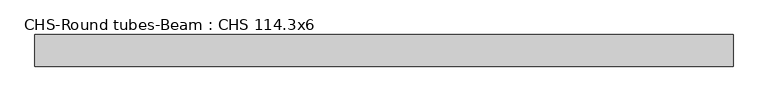
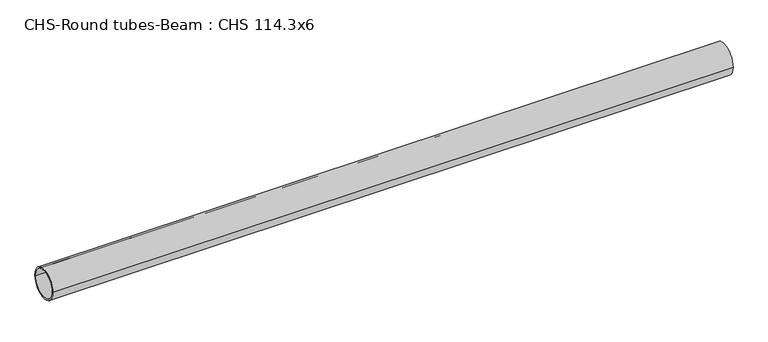
"""IFC4 building model written with IfcOpenShell, lengths in millimetres: beam geometry, CHS-Round tubes-Beam : CHS 114.3x6."""

from ifc_helpers import new_model, si_unit, point, frame, origin, origin_2d, place, context, project, spatial, circle_curve, trimmed, segment, composite_curve, outline, extrude, source, transform, mapped, element, save


def chs_round_tubes_beam_chs_114_3x6_28a2bd70(model_context):
    return source(origin(), model_context, "Body", "SweptSolid", [
        extrude(outline(composite_curve([segment(trimmed(circle_curve(origin_2d(), 57.15), [point((57.15, 0.0))], [point((-57.15, 0.0))], False, "CARTESIAN"), True, "CONTINUOUS"), segment(trimmed(circle_curve(origin_2d(), 57.15), [point((-57.15, 0.0))], [point((57.15, 0.0))], False, "CARTESIAN"), True, "CONTINUOUS")], self_intersect=False), holes=[composite_curve([segment(trimmed(circle_curve(origin_2d(), 51.15), [point((51.15, 0.0))], [point((-51.15, 0.0))], True, "CARTESIAN"), True, "CONTINUOUS"), segment(trimmed(circle_curve(origin_2d(), 51.15), [point((-51.15, 0.0))], [point((51.15, 0.0))], True, "CARTESIAN"), True, "CONTINUOUS")], self_intersect=False)]), frame((-1211.8883366, 0.0, 0.0), z_axis=(1.0, 0.0, 0.0), x_axis=(0.0, 1.0, 0.0)), (0.0, 0.0, 1.0), 2523.3236692),
    ])


if __name__ == "__main__":
    model = new_model("IFC4")
    model_context = context("Model", 3, world=origin())
    ifc_project = project(units=[si_unit("LENGTHUNIT", "METRE", prefix="MILLI")], contexts=[model_context])
    site = spatial("IfcSite", under=ifc_project)
    building = spatial("IfcBuilding", under=site)
    placement = place(None, origin())
    chs_round_tubes_beam_chs_114_3x6_shape = chs_round_tubes_beam_chs_114_3x6_28a2bd70(model_context)
    element("IfcBeam", 1, ObjectType="CHS-Round tubes-Beam : CHS 114.3x6", at=placement, inside=building, context=model_context, shape_type="MappedRepresentation", body=[
        mapped(chs_round_tubes_beam_chs_114_3x6_shape, transform((0.0, 0.0, 0.0), x_axis=(1.0, 0.0, 0.0), y_axis=(0.0, 1.0, 0.0), z_axis=(0.0, 0.0, 1.0))),
    ])
    save(model, "model.ifc")
